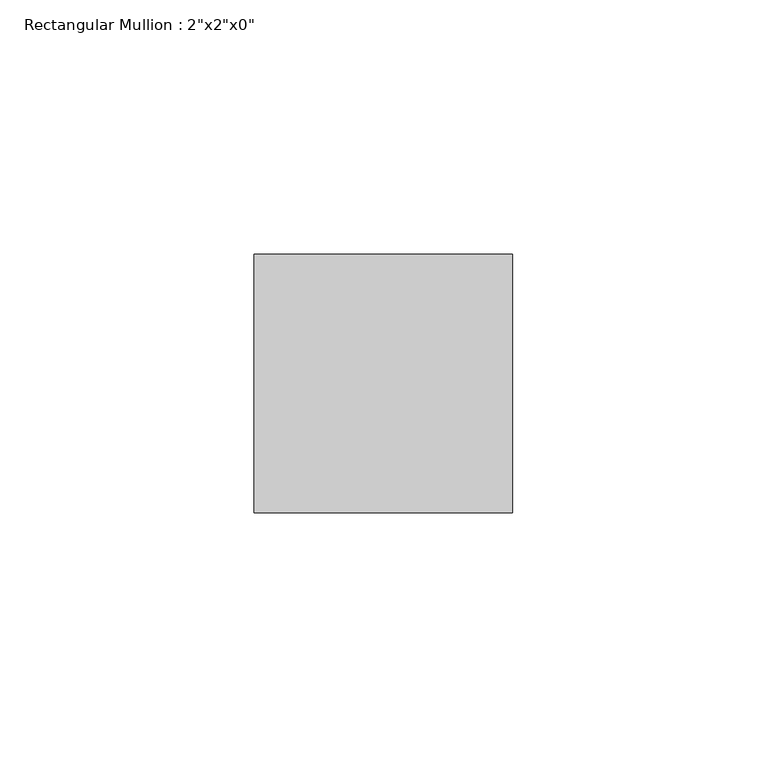
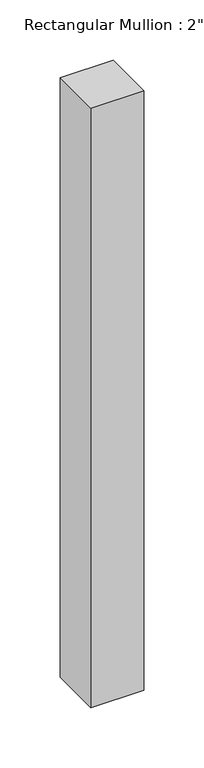
"""IFC4 building model written with IfcOpenShell, lengths in millimetres: member geometry."""

from ifc_helpers import new_model, si_unit, frame, origin, place, context, project, spatial, polyline, outline, extrude, source, transform, mapped, element, save


def member_2f5ab28e(model_context):
    return source(origin(), model_context, "Body", "SweptSolid", [
        extrude(outline(polyline([(0.0, 25.4), (0.0, -25.4), (-50.8, -25.4), (-50.8, 25.4), (0.0, 25.4)])), frame((0.0, 0.0, -608.0413732), z_axis=(0.0, 0.0, 1.0), x_axis=(1.0, 0.0, 0.0)), (0.0, 0.0, 1.0), 608.0413732),
    ])


if __name__ == "__main__":
    model = new_model("IFC4")
    model_context = context("Model", 3, world=origin())
    ifc_project = project(units=[si_unit("LENGTHUNIT", "METRE", prefix="MILLI")], contexts=[model_context])
    site = spatial("IfcSite", under=ifc_project)
    building = spatial("IfcBuilding", under=site)
    placement = place(None, origin())
    member_shape = member_2f5ab28e(model_context)
    element("IfcMember", 1, ObjectType="Rectangular Mullion : 2\"x2\"x0\"", at=placement, inside=building, context=model_context, shape_type="MappedRepresentation", body=[
        mapped(member_shape, transform((0.0, 0.0, 0.0), x_axis=(1.0, 0.0, 0.0), y_axis=(0.0, 1.0, 0.0), z_axis=(0.0, 0.0, 1.0))),
    ])
    save(model, "model.ifc")
